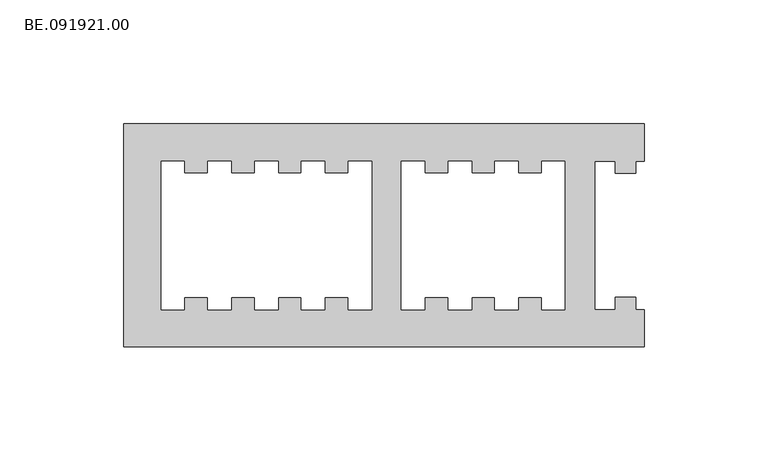
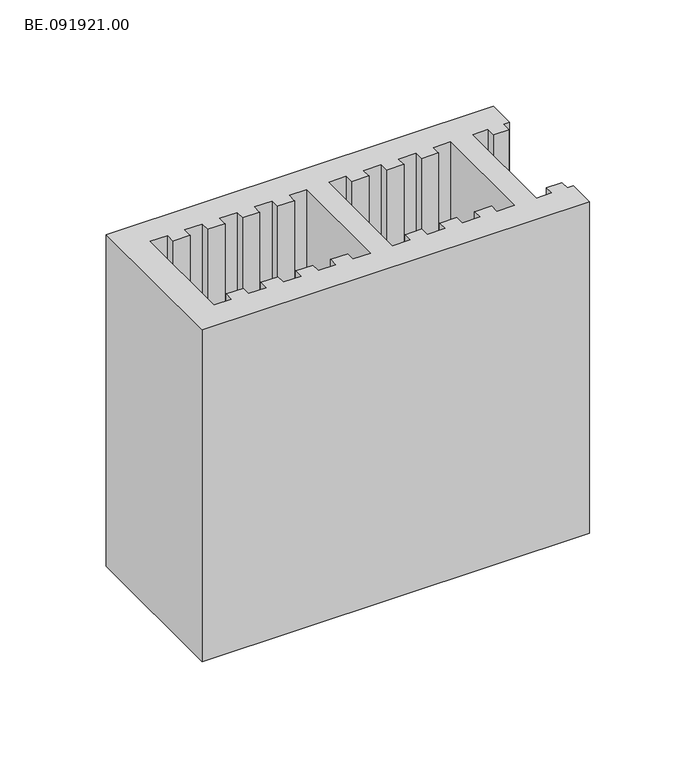
"""IFC4 building model written with IfcOpenShell, lengths in millimetres: proxy geometry, BE.091921.00."""

import ifcopenshell
import ifcopenshell.guid

model = None  # the IFC model being written
_history = None  # IfcOwnerHistory: only IFC2X3 demands one
_inside = {}  # id of a spatial element -> (the spatial element, [elements in it])
_under = {}  # id of a project, library or spatial element -> (it, [spatial elements below it])
_declared = {}  # id of a project -> (the project, [libraries it declares])
_typed = {}  # id of a type object -> (the type object, [elements of that type])
_made_of = {}  # id of a material, layer set ... -> (it, [elements and type objects made of it])


def new_model(schema):
    """Start an empty IFC model of exactly this schema.

    Asked for "IFC4X3", IfcOpenShell would pick the latest addendum, in which some entities
    have other attributes; the version numbers below select the first issue.
    IFC2X3 requires an IfcOwnerHistory on every rooted entity: one is made here for all.
    """
    global model, _history
    if schema == "IFC4X3":
        model = ifcopenshell.file(schema_version=(4, 3, 0, 0))
    else:
        model = ifcopenshell.file(schema=schema)
    _inside.clear()
    _under.clear()
    _declared.clear()
    _typed.clear()
    _made_of.clear()
    _history = None
    if model.schema == "IFC2X3":
        org = make("IfcOrganization", Name="unknown")
        user = make(
            "IfcPersonAndOrganization",
            ThePerson=make("IfcPerson", FamilyName="unknown"),
            TheOrganization=org,
        )
        app = make(
            "IfcApplication",
            ApplicationDeveloper=org,
            Version="unknown",
            ApplicationFullName="unknown",
            ApplicationIdentifier="unknown",
        )
        _history = make(
            "IfcOwnerHistory",
            OwningUser=user,
            OwningApplication=app,
            ChangeAction="ADDED",
            CreationDate=0,
        )
    return model


def make(cls, **values):
    """One entity of the class cls with the attributes given. An attribute that is None is left unset."""
    return model.create_entity(
        cls, **{name: value for name, value in values.items() if value is not None}
    )


def rooted(cls, **values):
    """An entity with a GlobalId (a new one), such as an element, a storey or a relation."""
    return make(cls, GlobalId=ifcopenshell.guid.new(), OwnerHistory=_history, **values)


def si_unit(unit_type, name, prefix=None):
    """IfcSIUnit, for example si_unit("LENGTHUNIT", "METRE", prefix="MILLI")."""
    return make("IfcSIUnit", UnitType=unit_type, Prefix=prefix, Name=name)


def assignment(units):
    """IfcUnitAssignment: the units of a project."""
    return None if units is None else make("IfcUnitAssignment", Units=units)


def point(xyz):
    """IfcCartesianPoint."""
    return None if xyz is None else make("IfcCartesianPoint", Coordinates=xyz)


def direction(xyz):
    """IfcDirection."""
    return None if xyz is None else make("IfcDirection", DirectionRatios=xyz)


def frame(location, z_axis=None, x_axis=None):
    """IfcAxis2Placement3D, a coordinate frame: its origin and axes. An axis left out is left unset."""
    return make(
        "IfcAxis2Placement3D",
        Location=point(location),
        Axis=direction(z_axis),
        RefDirection=direction(x_axis),
    )


def origin():
    """The frame at (0, 0, 0) with its axes left unset."""
    return frame((0.0, 0.0, 0.0))


def origin_with_axes():
    """The frame at (0, 0, 0) with the z axis (0, 0, 1) and the x axis (1, 0, 0) written out."""
    return frame((0.0, 0.0, 0.0), z_axis=(0.0, 0.0, 1.0), x_axis=(1.0, 0.0, 0.0))


def place(relative_to, where):
    """IfcLocalPlacement: puts the frame where relative to a parent placement (None: the world)."""
    return make(
        "IfcLocalPlacement", PlacementRelTo=relative_to, RelativePlacement=where
    )


def context(
    kind, dimensions, precision=None, world=None, true_north=None, identifier=None
):
    """IfcGeometricRepresentationContext, for example the 3D "Model" context."""
    return make(
        "IfcGeometricRepresentationContext",
        ContextIdentifier=identifier,
        ContextType=kind,
        CoordinateSpaceDimension=dimensions,
        Precision=precision,
        WorldCoordinateSystem=world,
        TrueNorth=true_north,
    )


def project(units=None, contexts=None):
    """IfcProject with its units and contexts."""
    return rooted(
        "IfcProject",
        Name="project",
        RepresentationContexts=contexts,
        UnitsInContext=assignment(units),
    )


def spatial(cls, under=None, at=None, **own):
    """A site, building, storey or space (cls), placed at a placement, below another one or the project."""
    s = rooted(cls, ObjectPlacement=at, **own)
    if under is not None:
        _under.setdefault(under.id(), (under, []))[1].append(s)
    return s


def polyline(points):
    """IfcPolyline through the points."""
    return make("IfcPolyline", Points=[point(p) for p in points])


def outline(outer, holes=None, kind="AREA"):
    """IfcArbitraryClosedProfileDef: a profile drawn as a closed curve; with holes, ...WithVoids."""
    if holes is None:
        return make("IfcArbitraryClosedProfileDef", ProfileType=kind, OuterCurve=outer)
    return make(
        "IfcArbitraryProfileDefWithVoids",
        ProfileType=kind,
        OuterCurve=outer,
        InnerCurves=holes,
    )


def extrude(swept, where, along, depth):
    """IfcExtrudedAreaSolid: the profile swept, set in the frame where, extruded along a direction by depth."""
    return make(
        "IfcExtrudedAreaSolid",
        SweptArea=swept,
        Position=where,
        ExtrudedDirection=direction(along),
        Depth=depth,
    )


def shape(context_of_items, identifier, shape_type, items):
    """IfcShapeRepresentation: the items that make up one representation, for example the "Body"."""
    return make(
        "IfcShapeRepresentation",
        ContextOfItems=context_of_items,
        RepresentationIdentifier=identifier,
        RepresentationType=shape_type,
        Items=items,
    )


def source(mapping_origin, context_of_items, identifier, shape_type, items):
    """IfcRepresentationMap: a shape defined once, which mapped items show again and again."""
    return make(
        "IfcRepresentationMap",
        MappingOrigin=mapping_origin,
        MappedRepresentation=shape(context_of_items, identifier, shape_type, items),
    )


def transform(
    local_origin,
    x_axis=None,
    y_axis=None,
    z_axis=None,
    scale=None,
    scale2=None,
    scale3=None,
    uniform=True,
):
    """IfcCartesianTransformationOperator3D, or its non-uniform kind. x_axis, y_axis, z_axis: its Axis1, 2, 3."""
    if uniform:
        return make(
            "IfcCartesianTransformationOperator3D",
            Axis1=direction(x_axis),
            Axis2=direction(y_axis),
            LocalOrigin=point(local_origin),
            Scale=scale,
            Axis3=direction(z_axis),
        )
    return make(
        "IfcCartesianTransformationOperator3DnonUniform",
        Axis1=direction(x_axis),
        Axis2=direction(y_axis),
        LocalOrigin=point(local_origin),
        Scale=scale,
        Axis3=direction(z_axis),
        Scale2=scale2,
        Scale3=scale3,
    )


def mapped(mapping_source, mapping_target):
    """IfcMappedItem: shows the shape of a source again, moved by a transform."""
    return make(
        "IfcMappedItem", MappingSource=mapping_source, MappingTarget=mapping_target
    )


def made_of(thing, what):
    """Note that an element or type object is made of a material, layer set ...; save() writes the relation."""
    if what is not None:
        _made_of.setdefault(what.id(), (what, []))[1].append(thing)
    return thing


def element(
    cls,
    number,
    at=None,
    inside=None,
    cuts=None,
    type_object=None,
    material=None,
    context=None,
    identifier="Body",
    shape_type=None,
    held_by="IfcProductDefinitionShape",
    body=None,
    shapes=None,
    **own,
):
    """One element of the class cls, such as IfcWall. Its Tag is "e" and its number.

    at: its placement. inside: the storey or other place that contains it. cuts: it is an
    opening in that element (IfcRelVoidsElement). A single representation is given by context,
    identifier, shape_type and body (its items); several are given by shapes. held_by: the class
    of the entity that holds the representations. save() writes the other relations.
    """
    e = rooted(cls, Tag="e%d" % number, ObjectPlacement=at, **own)
    if body is not None:
        shapes = [shape(context, identifier, shape_type, body)]
    if shapes is not None:
        e.Representation = make(held_by, Representations=shapes)
    if inside is not None:
        _inside.setdefault(inside.id(), (inside, []))[1].append(e)
    if cuts is not None:
        rooted(
            "IfcRelVoidsElement", RelatingBuildingElement=cuts, RelatedOpeningElement=e
        )
    if type_object is not None:
        _typed.setdefault(type_object.id(), (type_object, []))[1].append(e)
    return made_of(e, material)


def aggregate(whole, parts):
    """IfcRelAggregates: a whole, such as a stair, and the parts it consists of."""
    return rooted("IfcRelAggregates", RelatingObject=whole, RelatedObjects=parts)


def save(model, path):
    """Write the relations noted so far, then the file.

    IfcRelAggregates (storeys below a building ...), IfcRelContainedInSpatialStructure (elements
    in a storey), IfcRelDefinesByType, IfcRelAssociatesMaterial and IfcRelDeclares: one each for
    every whole, place, type object, material and project.
    """
    for whole, parts in _under.values():
        aggregate(whole, parts)
    for where, things in _inside.values():
        rooted(
            "IfcRelContainedInSpatialStructure",
            RelatedElements=things,
            RelatingStructure=where,
        )
    for kind, things in _typed.values():
        rooted("IfcRelDefinesByType", RelatedObjects=things, RelatingType=kind)
    for what, things in _made_of.values():
        rooted("IfcRelAssociatesMaterial", RelatedObjects=things, RelatingMaterial=what)
    for by, libraries in _declared.values():
        rooted("IfcRelDeclares", RelatingContext=by, RelatedDefinitions=libraries)
    model.write(path)


def be_091921_00_ff797816(model_context):
    return source(origin(), model_context, "Body", "SweptSolid", [
        extrude(outline(polyline([(215.0, 45.0), (215.0, 30.0074707), (211.6664551, 30.0074707), (211.6664551, 25.003125), (203.3320801, 25.003125), (203.3320801, 30.0074707), (194.9977051, 30.0074707), (194.9977051, -29.9888672), (203.3320801, -29.9888672), (203.3320801, -25.003125), (211.6664551, -25.003125), (211.6664551, -29.9888672), (215.0, -29.9888672), (215.0, -45.0), (5.0, -45.0), (5.0, 45.0), (215.0, 45.0)]), holes=[polyline([(182.9984375, -29.9888672), (182.9984375, 30.0074707), (173.6594727, 30.0074707), (173.6594727, 25.003125), (164.2274902, 25.003125), (164.2274902, 30.0074707), (154.7769043, 30.0074707), (154.7769043, 25.003125), (145.3263184, 25.003125), (145.3263184, 30.0074707), (135.8943359, 30.0074707), (135.8943359, 25.003125), (126.44375, 25.003125), (126.44375, 30.0074707), (116.9931641, 30.0074707), (116.9931641, -29.9888672), (126.44375, -29.9888672), (126.44375, -25.003125), (135.8943359, -25.003125), (135.8943359, -29.9888672), (145.3263184, -29.9888672), (145.3263184, -25.003125), (154.7769043, -25.003125), (154.7769043, -29.9888672), (164.2274902, -29.9888672), (164.2274902, -25.003125), (173.6594727, -25.003125), (173.6594727, -29.9888672), (182.9984375, -29.9888672)]), polyline([(29.4450195, 30.0074707), (19.9944336, 30.0074707), (19.9944336, -29.9888672), (29.4450195, -29.9888672), (29.4450195, -25.003125), (38.8956055, -25.003125), (38.8956055, -29.9888672), (48.3275879, -29.9888672), (48.3275879, -25.003125), (57.7781738, -25.003125), (57.7781738, -29.9888672), (67.2287598, -29.9888672), (67.2287598, -25.003125), (76.6607422, -25.003125), (76.6607422, -29.9888672), (86.1113281, -29.9888672), (86.1113281, -25.003125), (95.5619141, -25.003125), (95.5619141, -29.9888672), (104.9938965, -29.9888672), (104.9938965, 30.0074707), (95.5619141, 30.0074707), (95.5619141, 25.003125), (86.1113281, 25.003125), (86.1113281, 30.0074707), (76.6607422, 30.0074707), (76.6607422, 25.003125), (67.2287598, 25.003125), (67.2287598, 30.0074707), (57.7781738, 30.0074707), (57.7781738, 25.003125), (48.3275879, 25.003125), (48.3275879, 30.0074707), (38.8956055, 30.0074707), (38.8956055, 25.003125), (29.4450195, 25.003125), (29.4450195, 30.0074707)])]), origin_with_axes(), (0.0, 0.0, 1.0), 190.0),
    ])


if __name__ == "__main__":
    model = new_model("IFC4")
    model_context = context("Model", 3, world=origin())
    ifc_project = project(units=[si_unit("LENGTHUNIT", "METRE", prefix="MILLI")], contexts=[model_context])
    site = spatial("IfcSite", under=ifc_project)
    building = spatial("IfcBuilding", under=site)
    placement = place(None, origin())
    be_091921_00_shape = be_091921_00_ff797816(model_context)
    element("IfcBuildingElementProxy", 1, Name="BE.091921.00", ObjectType="BE.091921.00", at=placement, inside=building, context=model_context, shape_type="MappedRepresentation", body=[
        mapped(be_091921_00_shape, transform((0.0, 0.0, 0.0), x_axis=(1.0, 0.0, 0.0), y_axis=(0.0, 1.0, 0.0), z_axis=(0.0, 0.0, 1.0))),
    ])
    save(model, "model.ifc")
